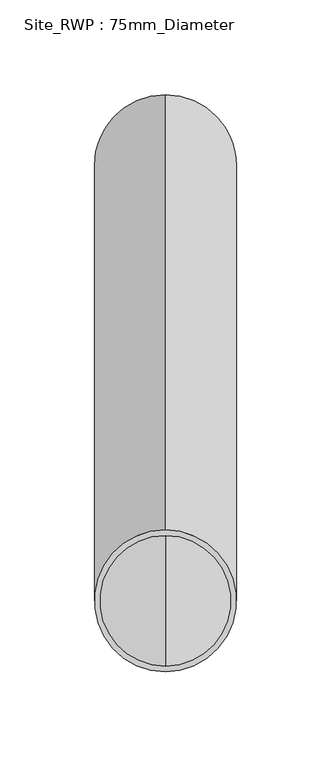
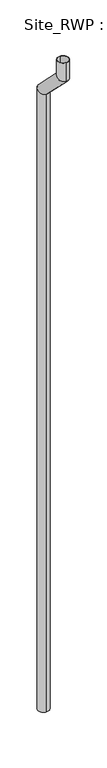
"""IFC4 building model written with IfcOpenShell, lengths in millimetres: geographic element geometry, Site_RWP : 75mm_Diameter."""

import ifcopenshell
import ifcopenshell.guid

model = None  # the IFC model being written
_history = None  # IfcOwnerHistory: only IFC2X3 demands one
_inside = {}  # id of a spatial element -> (the spatial element, [elements in it])
_under = {}  # id of a project, library or spatial element -> (it, [spatial elements below it])
_declared = {}  # id of a project -> (the project, [libraries it declares])
_typed = {}  # id of a type object -> (the type object, [elements of that type])
_made_of = {}  # id of a material, layer set ... -> (it, [elements and type objects made of it])


def new_model(schema):
    """Start an empty IFC model of exactly this schema.

    Asked for "IFC4X3", IfcOpenShell would pick the latest addendum, in which some entities
    have other attributes; the version numbers below select the first issue.
    IFC2X3 requires an IfcOwnerHistory on every rooted entity: one is made here for all.
    """
    global model, _history
    if schema == "IFC4X3":
        model = ifcopenshell.file(schema_version=(4, 3, 0, 0))
    else:
        model = ifcopenshell.file(schema=schema)
    _inside.clear()
    _under.clear()
    _declared.clear()
    _typed.clear()
    _made_of.clear()
    _history = None
    if model.schema == "IFC2X3":
        org = make("IfcOrganization", Name="unknown")
        user = make(
            "IfcPersonAndOrganization",
            ThePerson=make("IfcPerson", FamilyName="unknown"),
            TheOrganization=org,
        )
        app = make(
            "IfcApplication",
            ApplicationDeveloper=org,
            Version="unknown",
            ApplicationFullName="unknown",
            ApplicationIdentifier="unknown",
        )
        _history = make(
            "IfcOwnerHistory",
            OwningUser=user,
            OwningApplication=app,
            ChangeAction="ADDED",
            CreationDate=0,
        )
    return model


def make(cls, **values):
    """One entity of the class cls with the attributes given. An attribute that is None is left unset."""
    return model.create_entity(
        cls, **{name: value for name, value in values.items() if value is not None}
    )


def rooted(cls, **values):
    """An entity with a GlobalId (a new one), such as an element, a storey or a relation."""
    return make(cls, GlobalId=ifcopenshell.guid.new(), OwnerHistory=_history, **values)


def si_unit(unit_type, name, prefix=None):
    """IfcSIUnit, for example si_unit("LENGTHUNIT", "METRE", prefix="MILLI")."""
    return make("IfcSIUnit", UnitType=unit_type, Prefix=prefix, Name=name)


def assignment(units):
    """IfcUnitAssignment: the units of a project."""
    return None if units is None else make("IfcUnitAssignment", Units=units)


def point(xyz):
    """IfcCartesianPoint."""
    return None if xyz is None else make("IfcCartesianPoint", Coordinates=xyz)


def direction(xyz):
    """IfcDirection."""
    return None if xyz is None else make("IfcDirection", DirectionRatios=xyz)


def frame(location, z_axis=None, x_axis=None):
    """IfcAxis2Placement3D, a coordinate frame: its origin and axes. An axis left out is left unset."""
    return make(
        "IfcAxis2Placement3D",
        Location=point(location),
        Axis=direction(z_axis),
        RefDirection=direction(x_axis),
    )


def origin():
    """The frame at (0, 0, 0) with its axes left unset."""
    return frame((0.0, 0.0, 0.0))


def place(relative_to, where):
    """IfcLocalPlacement: puts the frame where relative to a parent placement (None: the world)."""
    return make(
        "IfcLocalPlacement", PlacementRelTo=relative_to, RelativePlacement=where
    )


def context(
    kind, dimensions, precision=None, world=None, true_north=None, identifier=None
):
    """IfcGeometricRepresentationContext, for example the 3D "Model" context."""
    return make(
        "IfcGeometricRepresentationContext",
        ContextIdentifier=identifier,
        ContextType=kind,
        CoordinateSpaceDimension=dimensions,
        Precision=precision,
        WorldCoordinateSystem=world,
        TrueNorth=true_north,
    )


def project(units=None, contexts=None):
    """IfcProject with its units and contexts."""
    return rooted(
        "IfcProject",
        Name="project",
        RepresentationContexts=contexts,
        UnitsInContext=assignment(units),
    )


def spatial(cls, under=None, at=None, **own):
    """A site, building, storey or space (cls), placed at a placement, below another one or the project."""
    s = rooted(cls, ObjectPlacement=at, **own)
    if under is not None:
        _under.setdefault(under.id(), (under, []))[1].append(s)
    return s


def polyline(points):
    """IfcPolyline through the points."""
    return make("IfcPolyline", Points=[point(p) for p in points])


def circle_curve(where, radius):
    """IfcCircle in the frame where."""
    return make("IfcCircle", Position=where, Radius=radius)


def ellipse_curve(where, semi_axis1, semi_axis2):
    """IfcEllipse in the frame where."""
    return make(
        "IfcEllipse", Position=where, SemiAxis1=semi_axis1, SemiAxis2=semi_axis2
    )


def shape(context_of_items, identifier, shape_type, items):
    """IfcShapeRepresentation: the items that make up one representation, for example the "Body"."""
    return make(
        "IfcShapeRepresentation",
        ContextOfItems=context_of_items,
        RepresentationIdentifier=identifier,
        RepresentationType=shape_type,
        Items=items,
    )


def source(mapping_origin, context_of_items, identifier, shape_type, items):
    """IfcRepresentationMap: a shape defined once, which mapped items show again and again."""
    return make(
        "IfcRepresentationMap",
        MappingOrigin=mapping_origin,
        MappedRepresentation=shape(context_of_items, identifier, shape_type, items),
    )


def transform(
    local_origin,
    x_axis=None,
    y_axis=None,
    z_axis=None,
    scale=None,
    scale2=None,
    scale3=None,
    uniform=True,
):
    """IfcCartesianTransformationOperator3D, or its non-uniform kind. x_axis, y_axis, z_axis: its Axis1, 2, 3."""
    if uniform:
        return make(
            "IfcCartesianTransformationOperator3D",
            Axis1=direction(x_axis),
            Axis2=direction(y_axis),
            LocalOrigin=point(local_origin),
            Scale=scale,
            Axis3=direction(z_axis),
        )
    return make(
        "IfcCartesianTransformationOperator3DnonUniform",
        Axis1=direction(x_axis),
        Axis2=direction(y_axis),
        LocalOrigin=point(local_origin),
        Scale=scale,
        Axis3=direction(z_axis),
        Scale2=scale2,
        Scale3=scale3,
    )


def mapped(mapping_source, mapping_target):
    """IfcMappedItem: shows the shape of a source again, moved by a transform."""
    return make(
        "IfcMappedItem", MappingSource=mapping_source, MappingTarget=mapping_target
    )


def made_of(thing, what):
    """Note that an element or type object is made of a material, layer set ...; save() writes the relation."""
    if what is not None:
        _made_of.setdefault(what.id(), (what, []))[1].append(thing)
    return thing


def element(
    cls,
    number,
    at=None,
    inside=None,
    cuts=None,
    type_object=None,
    material=None,
    context=None,
    identifier="Body",
    shape_type=None,
    held_by="IfcProductDefinitionShape",
    body=None,
    shapes=None,
    **own,
):
    """One element of the class cls, such as IfcWall. Its Tag is "e" and its number.

    at: its placement. inside: the storey or other place that contains it. cuts: it is an
    opening in that element (IfcRelVoidsElement). A single representation is given by context,
    identifier, shape_type and body (its items); several are given by shapes. held_by: the class
    of the entity that holds the representations. save() writes the other relations.
    """
    e = rooted(cls, Tag="e%d" % number, ObjectPlacement=at, **own)
    if body is not None:
        shapes = [shape(context, identifier, shape_type, body)]
    if shapes is not None:
        e.Representation = make(held_by, Representations=shapes)
    if inside is not None:
        _inside.setdefault(inside.id(), (inside, []))[1].append(e)
    if cuts is not None:
        rooted(
            "IfcRelVoidsElement", RelatingBuildingElement=cuts, RelatedOpeningElement=e
        )
    if type_object is not None:
        _typed.setdefault(type_object.id(), (type_object, []))[1].append(e)
    return made_of(e, material)


def aggregate(whole, parts):
    """IfcRelAggregates: a whole, such as a stair, and the parts it consists of."""
    return rooted("IfcRelAggregates", RelatingObject=whole, RelatedObjects=parts)


def save(model, path):
    """Write the relations noted so far, then the file.

    IfcRelAggregates (storeys below a building ...), IfcRelContainedInSpatialStructure (elements
    in a storey), IfcRelDefinesByType, IfcRelAssociatesMaterial and IfcRelDeclares: one each for
    every whole, place, type object, material and project.
    """
    for whole, parts in _under.values():
        aggregate(whole, parts)
    for where, things in _inside.values():
        rooted(
            "IfcRelContainedInSpatialStructure",
            RelatedElements=things,
            RelatingStructure=where,
        )
    for kind, things in _typed.values():
        rooted("IfcRelDefinesByType", RelatedObjects=things, RelatingType=kind)
    for what, things in _made_of.values():
        rooted("IfcRelAssociatesMaterial", RelatedObjects=things, RelatingMaterial=what)
    for by, libraries in _declared.values():
        rooted("IfcRelDeclares", RelatingContext=by, RelatedDefinitions=libraries)
    model.write(path)


def plane_surface(at):
    """IfcPlane: the flat surface through the origin of the frame at, square to its z axis."""
    return make("IfcPlane", Position=at)


def cylinder_surface(at, radius):
    """IfcCylindricalSurface: all points at the distance radius from the z axis of the frame at."""
    return make("IfcCylindricalSurface", Position=at, Radius=radius)


def revolved_surface(curve, axis_point, axis_direction):
    """IfcSurfaceOfRevolution: the curve turned about the line through axis_point along axis_direction."""
    return make(
        "IfcSurfaceOfRevolution",
        SweptCurve=make("IfcArbitraryOpenProfileDef", ProfileType="CURVE", Curve=curve),
        AxisPosition=make("IfcAxis1Placement", Location=point(axis_point), Axis=direction(axis_direction)),
    )


def advanced_brep(points, edges, surfaces, faces):
    """IfcAdvancedBrep: a solid bounded by faces that lie on surfaces and meet in shared edges.

    An edge is (start, end): straight between two places in points (the first is 0);
    or (start, end, curve); or (start, end, curve, False) where it runs against its curve.
    A face is (place in surfaces, loops), or (place, loops, False) where it looks against
    its surface's normal. A loop lists edges by number (the first is 1), with a minus sign
    where the edge is run from its end to its start. The first loop is the outer one.
    """
    corners = [point(p) for p in points]
    vertices = [make("IfcVertexPoint", VertexGeometry=c) for c in corners]
    made = []
    for start, end, *more in edges:
        made.append(
            make(
                "IfcEdgeCurve",
                EdgeStart=vertices[start],
                EdgeEnd=vertices[end],
                EdgeGeometry=more[0] if more else make("IfcPolyline", Points=[corners[start], corners[end]]),
                SameSense=more[1] if len(more) > 1 else True,
            )
        )
    hull = []
    for where, loops, *sense in faces:
        bounds = []
        for j, loop in enumerate(loops):
            ring = [make("IfcOrientedEdge", EdgeElement=made[abs(k) - 1], Orientation=k > 0) for k in loop]
            bounds.append(
                make(
                    "IfcFaceOuterBound" if j == 0 else "IfcFaceBound",
                    Bound=make("IfcEdgeLoop", EdgeList=ring),
                    Orientation=True,
                )
            )
        hull.append(make("IfcAdvancedFace", Bounds=bounds, FaceSurface=surfaces[where], SameSense=sense[0] if sense else True))
    return make("IfcAdvancedBrep", Outer=make("IfcClosedShell", CfsFaces=hull))


def site_rwp_75mm_diameter_9e804ebb(model_context):
    return source(origin(), model_context, "Body", "AdvancedBrep", [
        advanced_brep(
        [(0.0, -37.5, 0.0), (0.0, 37.5, 0.0), (0.0, -34.5, 0.0), (0.0, 34.5, 0.0), (0.0, 37.5, 4435.5330086), (0.0, -37.5, 4404.4669914), (0.0, 34.5, 4434.2903679), (0.0, -34.5, 4405.7096321), (0.0, -192.5, 4665.5330086), (0.0, -267.5, 4634.4669914), (0.0, -195.5, 4664.2903679), (0.0, -264.5, 4635.7096321), (0.0, -267.5, 4770.0), (0.0, -192.5, 4770.0), (0.0, -264.5, 4770.0), (0.0, -195.5, 4770.0)],
        [
            (0, 1, circle_curve(frame((0.0, 0.0, 0.0), z_axis=(0.0, 0.0, -1.0), x_axis=(0.0, 1.0, 0.0)), 37.5)),
            (1, 0, circle_curve(frame((0.0, 0.0, 0.0), z_axis=(0.0, 0.0, -1.0), x_axis=(0.0, 1.0, 0.0)), 37.5)),
            (2, 3, circle_curve(frame((0.0, 0.0, 0.0), z_axis=(0.0, 0.0, 1.0), x_axis=(0.0, 1.0, 0.0)), 34.5)),
            (3, 2, circle_curve(frame((0.0, 0.0, 0.0), z_axis=(0.0, 0.0, 1.0), x_axis=(0.0, 1.0, 0.0)), 34.5)),
            (1, 4),
            (4, 5, ellipse_curve(frame((0.0, 0.0, 4420.0), z_axis=(0.0, 0.38268343236509217, -0.9238795325112857), x_axis=(0.0, -0.9238795325112857, -0.3826834323650924)), 40.5897075, 37.5)),
            (5, 0),
            (5, 4, ellipse_curve(frame((0.0, 0.0, 4420.0), z_axis=(0.0, 0.38268343236509217, -0.9238795325112857), x_axis=(0.0, -0.9238795325112857, -0.3826834323650924)), 40.5897075, 37.5)),
            (3, 6),
            (6, 7, ellipse_curve(frame((0.0, 0.0, 4420.0), z_axis=(0.0, -0.38268343236509217, 0.9238795325112857), x_axis=(0.0, 0.9238795325112857, 0.3826834323650924)), 37.3425309, 34.5)),
            (7, 2),
            (7, 6, ellipse_curve(frame((0.0, 0.0, 4420.0), z_axis=(0.0, -0.38268343236509217, 0.9238795325112857), x_axis=(0.0, 0.9238795325112857, 0.3826834323650924)), 37.3425309, 34.5)),
            (4, 8),
            (8, 9, ellipse_curve(frame((0.0, -230.0, 4650.0), z_axis=(0.0, 0.3826834323650923, -0.9238795325112857), x_axis=(0.0, 0.9238795325112859, 0.3826834323650922)), 40.5897075, 37.5)),
            (9, 5),
            (9, 8, ellipse_curve(frame((0.0, -230.0, 4650.0), z_axis=(0.0, 0.3826834323650923, -0.9238795325112857), x_axis=(0.0, 0.9238795325112859, 0.3826834323650922)), 40.5897075, 37.5)),
            (6, 10),
            (10, 11, ellipse_curve(frame((0.0, -230.0, 4650.0), z_axis=(0.0, -0.3826834323650923, 0.9238795325112857), x_axis=(0.0, -0.9238795325112859, -0.3826834323650922)), 37.3425309, 34.5)),
            (11, 7),
            (11, 10, ellipse_curve(frame((0.0, -230.0, 4650.0), z_axis=(0.0, -0.3826834323650923, 0.9238795325112857), x_axis=(0.0, -0.9238795325112859, -0.3826834323650922)), 37.3425309, 34.5)),
            (12, 13, circle_curve(frame((0.0, -230.0, 4770.0), z_axis=(0.0, 0.0, 1.0), x_axis=(0.0, 1.0, 0.0)), 37.5)),
            (13, 12, circle_curve(frame((0.0, -230.0, 4770.0), z_axis=(0.0, 0.0, 1.0), x_axis=(0.0, 1.0, 0.0)), 37.5)),
            (14, 15, circle_curve(frame((0.0, -230.0, 4770.0), z_axis=(0.0, 0.0, -1.0), x_axis=(0.0, 1.0, 0.0)), 34.5)),
            (15, 14, circle_curve(frame((0.0, -230.0, 4770.0), z_axis=(0.0, 0.0, -1.0), x_axis=(0.0, 1.0, 0.0)), 34.5)),
            (8, 13),
            (12, 9),
            (10, 15),
            (14, 11),
        ],
        [
            plane_surface(frame((0.0, 0.0, 0.0), z_axis=(0.0, 0.0, -1.0), x_axis=(1.0, 0.0, 0.0))),
            cylinder_surface(frame((0.0, 0.0, 0.0), z_axis=(0.0, 0.0, -1.0), x_axis=(0.0, 1.0, 0.0)), 37.5),
            revolved_surface(polyline([(0.0, 34.5, 4434.2903679), (0.0, 34.5, 0.0)]), (0.0, 0.0, 0.0), (0.0, 0.0, 1.0)),
            cylinder_surface(frame((0.0, 0.0, 4420.0), z_axis=(0.0, 0.7071067811865512, -0.7071067811865439), x_axis=(0.0, 0.7071067811865439, 0.7071067811865512)), 37.5),
            revolved_surface(polyline([(0.0, -215.70963209906557, 4684.500000000935), (0.0, 34.5000000009359, 4434.290367900936)]), (0.0, 0.0, 4420.0), (0.0, -0.7071067811865512, 0.7071067811865439)),
            plane_surface(frame((0.0, -230.0, 4770.0), z_axis=(0.0, 0.0, 1.0), x_axis=(1.0, 0.0, 0.0))),
            cylinder_surface(frame((0.0, -230.0, 4650.0), z_axis=(0.0, 0.0, -1.0), x_axis=(0.0, 1.0, 0.0)), 37.5),
            revolved_surface(polyline([(0.0, -195.5, 4770.0), (0.0, -195.5, 4635.7096321)]), (0.0, -230.0, 4650.0), (0.0, 0.0, 1.0)),
        ],
        [
            (0, [[1, 2], [3, 4]]),
            (1, [[5, 6, 7, -2]]),
            (1, [[-7, 8, -5, -1]]),
            (2, [[9, 10, 11, -4]]),
            (2, [[-11, 12, -9, -3]]),
            (3, [[13, 14, 15, -6]]),
            (3, [[-15, 16, -13, -8]]),
            (4, [[17, 18, 19, -10]]),
            (4, [[-19, 20, -17, -12]]),
            (5, [[21, 22], [23, 24]]),
            (6, [[25, -21, 26, -14]]),
            (6, [[-26, -22, -25, -16]]),
            (7, [[27, -23, 28, -18]]),
            (7, [[-28, -24, -27, -20]]),
        ],
    ),
    ])


if __name__ == "__main__":
    model = new_model("IFC4")
    model_context = context("Model", 3, world=origin())
    ifc_project = project(units=[si_unit("LENGTHUNIT", "METRE", prefix="MILLI")], contexts=[model_context])
    site = spatial("IfcSite", under=ifc_project)
    building = spatial("IfcBuilding", under=site)
    placement = place(None, origin())
    site_rwp_75mm_diameter_shape = site_rwp_75mm_diameter_9e804ebb(model_context)
    element("IfcGeographicElement", 1, ObjectType="Site_RWP : 75mm_Diameter", at=placement, inside=building, context=model_context, shape_type="MappedRepresentation", body=[
        mapped(site_rwp_75mm_diameter_shape, transform((0.0, 0.0, 0.0), x_axis=(1.0, 0.0, 0.0), y_axis=(0.0, 1.0, 0.0), z_axis=(0.0, 0.0, 1.0))),
    ])
    save(model, "model.ifc")
